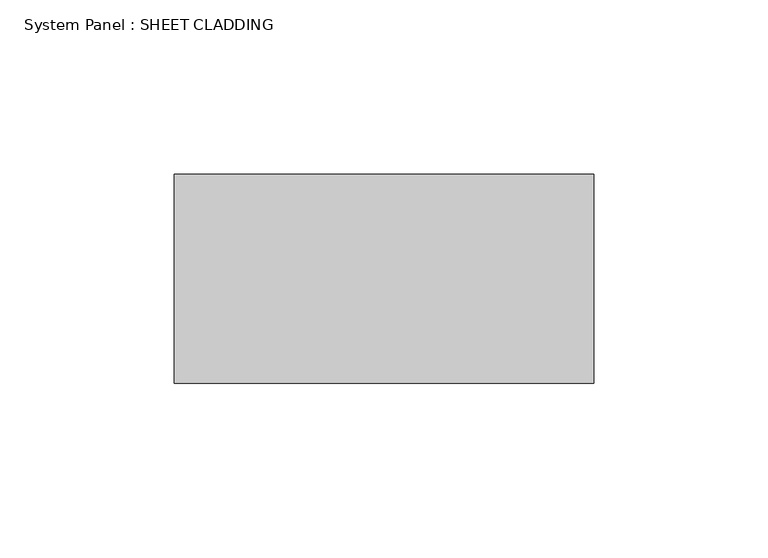
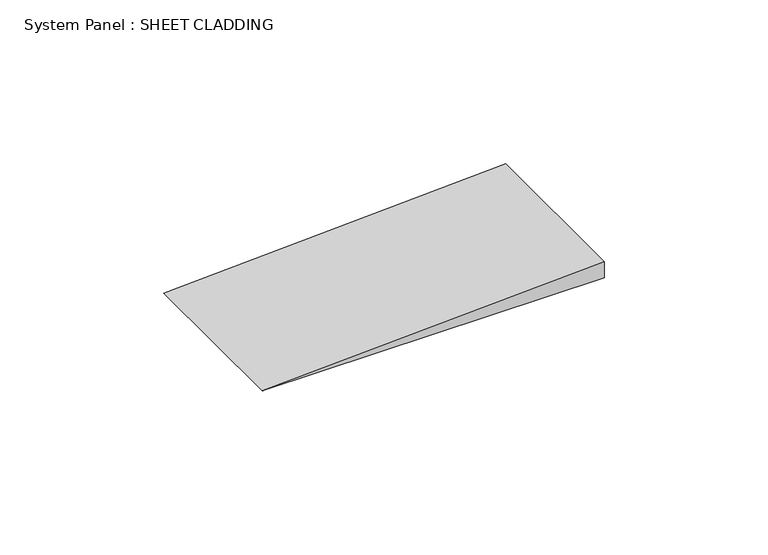
"""IFC4 building model written with IfcOpenShell, lengths in millimetres: plate geometry, System Panel : SHEET CLADDING."""

from ifc_helpers import new_model, si_unit, frame, origin, place, context, project, spatial, polyline, outline, extrude, source, transform, mapped, element, save


def system_panel_sheet_cladding_9842d668(model_context):
    return source(origin(), model_context, "Body", "SweptSolid", [
        extrude(outline(polyline([(0.0, -60.1836735), (0.0, 60.1836735), (6.0183673, 60.1836735), (0.0, -60.1836735)])), frame((0.0, -10.5, 0.0), z_axis=(0.0, 1.0, 0.0), x_axis=(0.0, 0.0, 1.0)), (0.0, 0.0, 1.0), 60.0),
    ])


if __name__ == "__main__":
    model = new_model("IFC4")
    model_context = context("Model", 3, world=origin())
    ifc_project = project(units=[si_unit("LENGTHUNIT", "METRE", prefix="MILLI")], contexts=[model_context])
    site = spatial("IfcSite", under=ifc_project)
    building = spatial("IfcBuilding", under=site)
    placement = place(None, origin())
    system_panel_sheet_cladding_shape = system_panel_sheet_cladding_9842d668(model_context)
    element("IfcPlate", 1, ObjectType="System Panel : SHEET CLADDING", at=placement, inside=building, context=model_context, shape_type="MappedRepresentation", body=[
        mapped(system_panel_sheet_cladding_shape, transform((0.0, 0.0, 0.0), x_axis=(1.0, 0.0, 0.0), y_axis=(0.0, 1.0, 0.0), z_axis=(0.0, 0.0, 1.0))),
    ])
    save(model, "model.ifc")
